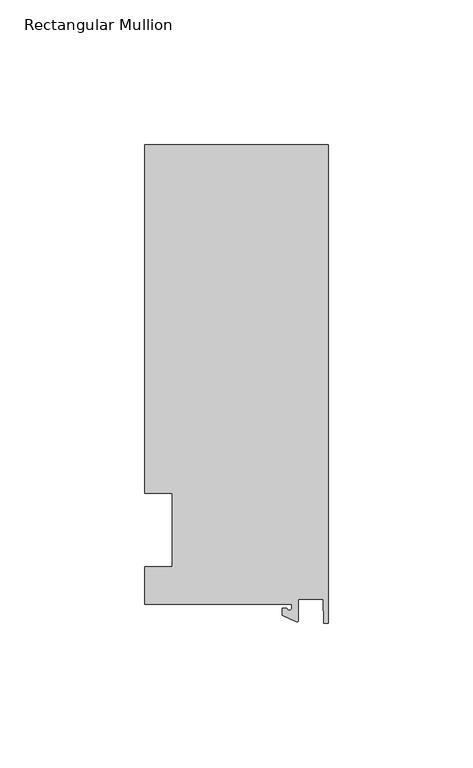
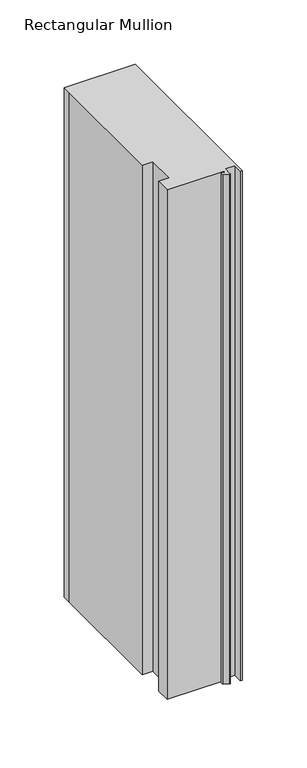
"""IFC4 building model written with IfcOpenShell, lengths in millimetres: member geometry, Rectangular Mullion."""

import ifcopenshell
import ifcopenshell.guid

model = None  # the IFC model being written
_history = None  # IfcOwnerHistory: only IFC2X3 demands one
_inside = {}  # id of a spatial element -> (the spatial element, [elements in it])
_under = {}  # id of a project, library or spatial element -> (it, [spatial elements below it])
_declared = {}  # id of a project -> (the project, [libraries it declares])
_typed = {}  # id of a type object -> (the type object, [elements of that type])
_made_of = {}  # id of a material, layer set ... -> (it, [elements and type objects made of it])


def new_model(schema):
    """Start an empty IFC model of exactly this schema.

    Asked for "IFC4X3", IfcOpenShell would pick the latest addendum, in which some entities
    have other attributes; the version numbers below select the first issue.
    IFC2X3 requires an IfcOwnerHistory on every rooted entity: one is made here for all.
    """
    global model, _history
    if schema == "IFC4X3":
        model = ifcopenshell.file(schema_version=(4, 3, 0, 0))
    else:
        model = ifcopenshell.file(schema=schema)
    _inside.clear()
    _under.clear()
    _declared.clear()
    _typed.clear()
    _made_of.clear()
    _history = None
    if model.schema == "IFC2X3":
        org = make("IfcOrganization", Name="unknown")
        user = make(
            "IfcPersonAndOrganization",
            ThePerson=make("IfcPerson", FamilyName="unknown"),
            TheOrganization=org,
        )
        app = make(
            "IfcApplication",
            ApplicationDeveloper=org,
            Version="unknown",
            ApplicationFullName="unknown",
            ApplicationIdentifier="unknown",
        )
        _history = make(
            "IfcOwnerHistory",
            OwningUser=user,
            OwningApplication=app,
            ChangeAction="ADDED",
            CreationDate=0,
        )
    return model


def make(cls, **values):
    """One entity of the class cls with the attributes given. An attribute that is None is left unset."""
    return model.create_entity(
        cls, **{name: value for name, value in values.items() if value is not None}
    )


def rooted(cls, **values):
    """An entity with a GlobalId (a new one), such as an element, a storey or a relation."""
    return make(cls, GlobalId=ifcopenshell.guid.new(), OwnerHistory=_history, **values)


def si_unit(unit_type, name, prefix=None):
    """IfcSIUnit, for example si_unit("LENGTHUNIT", "METRE", prefix="MILLI")."""
    return make("IfcSIUnit", UnitType=unit_type, Prefix=prefix, Name=name)


def assignment(units):
    """IfcUnitAssignment: the units of a project."""
    return None if units is None else make("IfcUnitAssignment", Units=units)


def point(xyz):
    """IfcCartesianPoint."""
    return None if xyz is None else make("IfcCartesianPoint", Coordinates=xyz)


def direction(xyz):
    """IfcDirection."""
    return None if xyz is None else make("IfcDirection", DirectionRatios=xyz)


def frame(location, z_axis=None, x_axis=None):
    """IfcAxis2Placement3D, a coordinate frame: its origin and axes. An axis left out is left unset."""
    return make(
        "IfcAxis2Placement3D",
        Location=point(location),
        Axis=direction(z_axis),
        RefDirection=direction(x_axis),
    )


def frame_2d(location, x_axis=None):
    """IfcAxis2Placement2D, a coordinate frame in the plane: its origin and x axis."""
    return make(
        "IfcAxis2Placement2D", Location=point(location), RefDirection=direction(x_axis)
    )


def origin():
    """The frame at (0, 0, 0) with its axes left unset."""
    return frame((0.0, 0.0, 0.0))


def place(relative_to, where):
    """IfcLocalPlacement: puts the frame where relative to a parent placement (None: the world)."""
    return make(
        "IfcLocalPlacement", PlacementRelTo=relative_to, RelativePlacement=where
    )


def context(
    kind, dimensions, precision=None, world=None, true_north=None, identifier=None
):
    """IfcGeometricRepresentationContext, for example the 3D "Model" context."""
    return make(
        "IfcGeometricRepresentationContext",
        ContextIdentifier=identifier,
        ContextType=kind,
        CoordinateSpaceDimension=dimensions,
        Precision=precision,
        WorldCoordinateSystem=world,
        TrueNorth=true_north,
    )


def project(units=None, contexts=None):
    """IfcProject with its units and contexts."""
    return rooted(
        "IfcProject",
        Name="project",
        RepresentationContexts=contexts,
        UnitsInContext=assignment(units),
    )


def spatial(cls, under=None, at=None, **own):
    """A site, building, storey or space (cls), placed at a placement, below another one or the project."""
    s = rooted(cls, ObjectPlacement=at, **own)
    if under is not None:
        _under.setdefault(under.id(), (under, []))[1].append(s)
    return s


def polyline(points):
    """IfcPolyline through the points."""
    return make("IfcPolyline", Points=[point(p) for p in points])


def circle_curve(where, radius):
    """IfcCircle in the frame where."""
    return make("IfcCircle", Position=where, Radius=radius)


def trimmed(basis, trim1, trim2, sense, master):
    """IfcTrimmedCurve: the piece of a basis curve between two trims."""
    return make(
        "IfcTrimmedCurve",
        BasisCurve=basis,
        Trim1=trim1,
        Trim2=trim2,
        SenseAgreement=sense,
        MasterRepresentation=master,
    )


def segment(curve, same_sense, transition):
    """IfcCompositeCurveSegment."""
    return make(
        "IfcCompositeCurveSegment",
        Transition=transition,
        SameSense=same_sense,
        ParentCurve=curve,
    )


def composite_curve(segments, self_intersect=None):
    """IfcCompositeCurve: segments joined end to end."""
    return make("IfcCompositeCurve", Segments=segments, SelfIntersect=self_intersect)


def outline(outer, holes=None, kind="AREA"):
    """IfcArbitraryClosedProfileDef: a profile drawn as a closed curve; with holes, ...WithVoids."""
    if holes is None:
        return make("IfcArbitraryClosedProfileDef", ProfileType=kind, OuterCurve=outer)
    return make(
        "IfcArbitraryProfileDefWithVoids",
        ProfileType=kind,
        OuterCurve=outer,
        InnerCurves=holes,
    )


def extrude(swept, where, along, depth):
    """IfcExtrudedAreaSolid: the profile swept, set in the frame where, extruded along a direction by depth."""
    return make(
        "IfcExtrudedAreaSolid",
        SweptArea=swept,
        Position=where,
        ExtrudedDirection=direction(along),
        Depth=depth,
    )


def shape(context_of_items, identifier, shape_type, items):
    """IfcShapeRepresentation: the items that make up one representation, for example the "Body"."""
    return make(
        "IfcShapeRepresentation",
        ContextOfItems=context_of_items,
        RepresentationIdentifier=identifier,
        RepresentationType=shape_type,
        Items=items,
    )


def source(mapping_origin, context_of_items, identifier, shape_type, items):
    """IfcRepresentationMap: a shape defined once, which mapped items show again and again."""
    return make(
        "IfcRepresentationMap",
        MappingOrigin=mapping_origin,
        MappedRepresentation=shape(context_of_items, identifier, shape_type, items),
    )


def transform(
    local_origin,
    x_axis=None,
    y_axis=None,
    z_axis=None,
    scale=None,
    scale2=None,
    scale3=None,
    uniform=True,
):
    """IfcCartesianTransformationOperator3D, or its non-uniform kind. x_axis, y_axis, z_axis: its Axis1, 2, 3."""
    if uniform:
        return make(
            "IfcCartesianTransformationOperator3D",
            Axis1=direction(x_axis),
            Axis2=direction(y_axis),
            LocalOrigin=point(local_origin),
            Scale=scale,
            Axis3=direction(z_axis),
        )
    return make(
        "IfcCartesianTransformationOperator3DnonUniform",
        Axis1=direction(x_axis),
        Axis2=direction(y_axis),
        LocalOrigin=point(local_origin),
        Scale=scale,
        Axis3=direction(z_axis),
        Scale2=scale2,
        Scale3=scale3,
    )


def mapped(mapping_source, mapping_target):
    """IfcMappedItem: shows the shape of a source again, moved by a transform."""
    return make(
        "IfcMappedItem", MappingSource=mapping_source, MappingTarget=mapping_target
    )


def made_of(thing, what):
    """Note that an element or type object is made of a material, layer set ...; save() writes the relation."""
    if what is not None:
        _made_of.setdefault(what.id(), (what, []))[1].append(thing)
    return thing


def element(
    cls,
    number,
    at=None,
    inside=None,
    cuts=None,
    type_object=None,
    material=None,
    context=None,
    identifier="Body",
    shape_type=None,
    held_by="IfcProductDefinitionShape",
    body=None,
    shapes=None,
    **own,
):
    """One element of the class cls, such as IfcWall. Its Tag is "e" and its number.

    at: its placement. inside: the storey or other place that contains it. cuts: it is an
    opening in that element (IfcRelVoidsElement). A single representation is given by context,
    identifier, shape_type and body (its items); several are given by shapes. held_by: the class
    of the entity that holds the representations. save() writes the other relations.
    """
    e = rooted(cls, Tag="e%d" % number, ObjectPlacement=at, **own)
    if body is not None:
        shapes = [shape(context, identifier, shape_type, body)]
    if shapes is not None:
        e.Representation = make(held_by, Representations=shapes)
    if inside is not None:
        _inside.setdefault(inside.id(), (inside, []))[1].append(e)
    if cuts is not None:
        rooted(
            "IfcRelVoidsElement", RelatingBuildingElement=cuts, RelatedOpeningElement=e
        )
    if type_object is not None:
        _typed.setdefault(type_object.id(), (type_object, []))[1].append(e)
    return made_of(e, material)


def aggregate(whole, parts):
    """IfcRelAggregates: a whole, such as a stair, and the parts it consists of."""
    return rooted("IfcRelAggregates", RelatingObject=whole, RelatedObjects=parts)


def save(model, path):
    """Write the relations noted so far, then the file.

    IfcRelAggregates (storeys below a building ...), IfcRelContainedInSpatialStructure (elements
    in a storey), IfcRelDefinesByType, IfcRelAssociatesMaterial and IfcRelDeclares: one each for
    every whole, place, type object, material and project.
    """
    for whole, parts in _under.values():
        aggregate(whole, parts)
    for where, things in _inside.values():
        rooted(
            "IfcRelContainedInSpatialStructure",
            RelatedElements=things,
            RelatingStructure=where,
        )
    for kind, things in _typed.values():
        rooted("IfcRelDefinesByType", RelatedObjects=things, RelatingType=kind)
    for what, things in _made_of.values():
        rooted("IfcRelAssociatesMaterial", RelatedObjects=things, RelatingMaterial=what)
    for by, libraries in _declared.values():
        rooted("IfcRelDeclares", RelatingContext=by, RelatedDefinitions=libraries)
    model.write(path)


def rectangular_mullion_f6888df0(model_context):
    return source(origin(), model_context, "Body", "SweptSolid", [
        extrude(outline(composite_curve([segment(polyline([(-12.6173814, -25.796875), (-63.5, -25.796875), (-63.5, -12.7), (-53.975, -12.7), (-53.975, 12.7), (-63.5, 12.7), (-63.5, 125.8114907), (-63.5, 133.34365), (0.0, 133.34365), (0.0, -32.288874), (-1.5658966, -32.288874), (-1.7144124, -23.9227662), (-10.2297814, -23.9227662), (-10.2297814, -31.2414327)]), True, "CONTINUOUS"), segment(trimmed(circle_curve(frame_2d((-10.7377814, -31.2414327)), 0.508), [point((-10.2297814, -31.2414327))], [point((-10.9524715, -31.7018371))], False, "CARTESIAN"), True, "CONTINUOUS"), segment(polyline([(-10.9524715, -31.7018371), (-15.7923814, -29.44495), (-15.7923814, -27.0827507), (-14.2048814, -27.0827507)]), True, "CONTINUOUS"), segment(trimmed(circle_curve(frame_2d((-13.4111314, -27.0827507)), 0.79375), [point((-14.2048814, -27.0827507))], [point((-12.6173814, -27.0827507))], True, "CARTESIAN"), True, "CONTINUOUS"), segment(polyline([(-12.6173814, -27.0827507), (-12.6173814, -25.796875)]), True, "CONTINUOUS")], self_intersect=False)), frame((0.0, 0.0, -482.6), z_axis=(0.0, 0.0, 1.0), x_axis=(1.0, 0.0, 0.0)), (0.0, 0.0, 1.0), 482.6),
    ])


if __name__ == "__main__":
    model = new_model("IFC4")
    model_context = context("Model", 3, world=origin())
    ifc_project = project(units=[si_unit("LENGTHUNIT", "METRE", prefix="MILLI")], contexts=[model_context])
    site = spatial("IfcSite", under=ifc_project)
    building = spatial("IfcBuilding", under=site)
    placement = place(None, origin())
    rectangular_mullion_shape = rectangular_mullion_f6888df0(model_context)
    element("IfcMember", 1, ObjectType="Rectangular Mullion", at=placement, inside=building, context=model_context, shape_type="MappedRepresentation", body=[
        mapped(rectangular_mullion_shape, transform((0.0, 0.0, 0.0), x_axis=(1.0, 0.0, 0.0), y_axis=(0.0, 1.0, 0.0), z_axis=(0.0, 0.0, 1.0))),
    ])
    save(model, "model.ifc")
